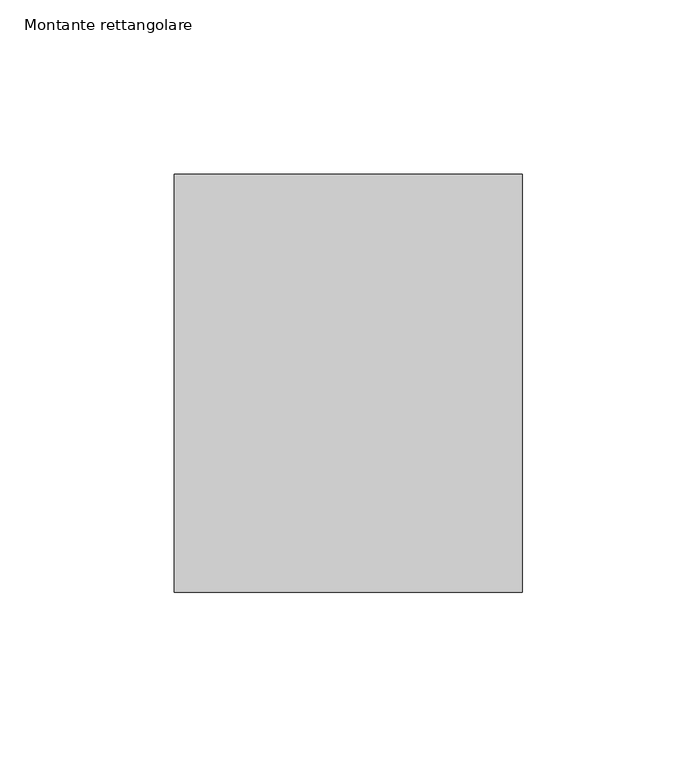
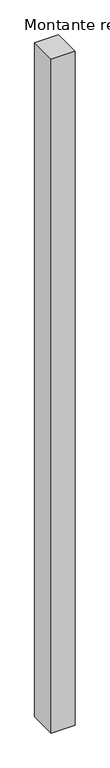
"""IFC4 building model written with IfcOpenShell, lengths in millimetres: member geometry, Montante rettangolare."""

from ifc_helpers import new_model, si_unit, frame, origin, place, context, project, spatial, polyline, outline, extrude, source, transform, mapped, element, save


def montante_rettangolare_c39e38ce(model_context):
    return source(origin(), model_context, "Body", "SweptSolid", [
        extrude(outline(polyline([(0.0, 60.0), (0.0, -60.0), (-100.0, -60.0), (-100.0, 60.0), (0.0, 60.0)])), frame((0.0, 0.0, -2980.0), z_axis=(0.0, 0.0, 1.0), x_axis=(1.0, 0.0, 0.0)), (0.0, 0.0, 1.0), 2980.0),
    ])


if __name__ == "__main__":
    model = new_model("IFC4")
    model_context = context("Model", 3, world=origin())
    ifc_project = project(units=[si_unit("LENGTHUNIT", "METRE", prefix="MILLI")], contexts=[model_context])
    site = spatial("IfcSite", under=ifc_project)
    building = spatial("IfcBuilding", under=site)
    placement = place(None, origin())
    montante_rettangolare_shape = montante_rettangolare_c39e38ce(model_context)
    element("IfcMember", 1, ObjectType="Montante rettangolare", at=placement, inside=building, context=model_context, shape_type="MappedRepresentation", body=[
        mapped(montante_rettangolare_shape, transform((0.0, 0.0, 0.0), x_axis=(1.0, 0.0, 0.0), y_axis=(0.0, 1.0, 0.0), z_axis=(0.0, 0.0, 1.0))),
    ])
    save(model, "model.ifc")
